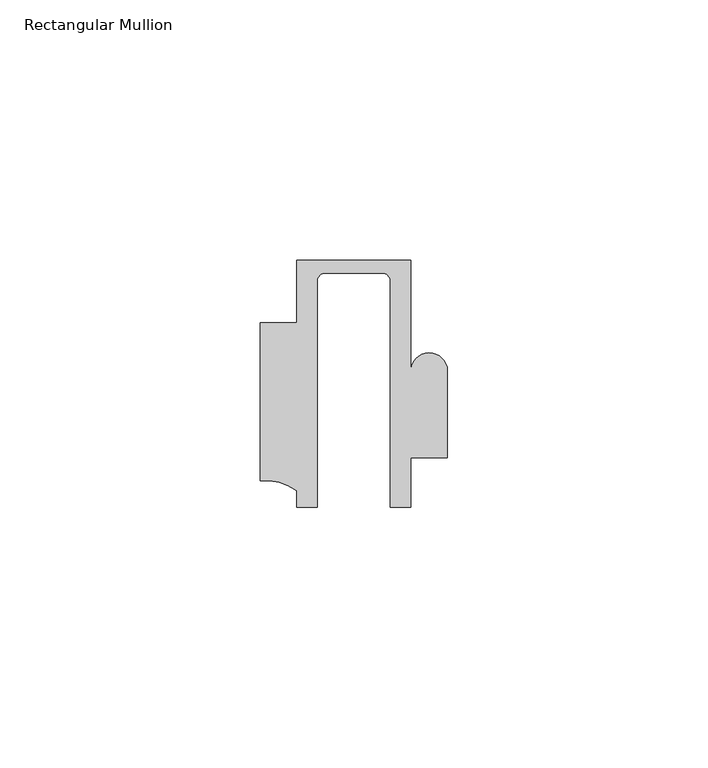
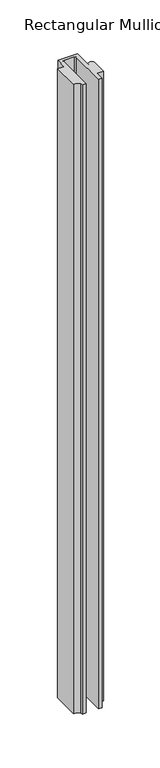
"""IFC4 building model written with IfcOpenShell, lengths in millimetres: member geometry, Rectangular Mullion."""

from ifc_helpers import new_model, si_unit, frame, origin, place, context, project, spatial, polyline, circle_curve, source, transform, mapped, element, save
from ifc_brep_helpers import plane_surface, cylinder_surface, revolved_surface, advanced_brep


def rectangular_mullion_60c2fc7e(model_context):
    return source(origin(), model_context, "Body", "AdvancedBrep", [
        advanced_brep(
        [(-11.0000151, 27.0, 0.0), (-11.0000151, 15.0006281, 0.0), (-17.9999542, 15.0006281, 0.0), (-17.9999542, -15.3797475, 0.0), (-10.9999994, -17.3125325, 0.0), (-10.9999994, -20.5, 0.0), (-6.9999853, -20.5, 0.0), (-6.9999853, 22.9976091, 0.0), (-5.4999873, 24.5, 0.0), (5.4999872, 24.5, 0.0), (6.9999849, 22.9973451, 0.0), (6.9999849, -20.5, 0.0), (11.0000151, -20.5, 0.0), (11.0000151, -10.9797475, 0.0), (17.9999542, -10.9797475, 0.0), (17.9999542, 5.684606, 0.0), (11.001071, 5.5848769, 0.0), (11.001071, 27.0, 0.0), (-11.0000151, 27.0, -742.0500913), (11.001071, 27.0, -742.0500913), (11.001071, 5.5848769, -742.0500913), (17.9999091, 5.6750512, -742.0500913), (17.9999542, -10.9797475, -742.0500913), (11.0000151, -10.9797475, -742.0500913), (11.0000151, -20.5, -742.0500913), (6.9999849, -20.5, -742.0500913), (6.9999849, 22.9973451, -742.0500913), (5.4999872, 24.5, -742.0500913), (-5.4999873, 24.5, -742.0500913), (-6.9999853, 22.9976091, -742.0500913), (-6.9999853, -20.5, -742.0500913), (-10.9999994, -20.5, -742.0500913), (-10.9999994, -17.3125325, -742.0500913), (-17.9999542, -15.3797475, -742.0500913), (-17.9999542, 15.0006281, -742.0500913), (-11.0000151, 15.0006281, -742.0500913)],
        [
            (0, 1),
            (1, 2),
            (2, 3),
            (3, 4, circle_curve(frame((-17.109817, -25.7981812, 0.0), z_axis=(0.0, 0.0, -1.0), x_axis=(0.0, 1.0, 0.0)), 10.4563907)),
            (4, 5),
            (5, 6),
            (6, 7),
            (7, 8, circle_curve(frame((-5.4999873, 23.0, 0.0), z_axis=(0.0, 0.0, -1.0), x_axis=(2.7320010112268853e-08, 0.9999999999999997, 0.0)), 1.5)),
            (8, 9),
            (9, 10, circle_curve(frame((5.4999872, 23.0, 0.0), z_axis=(0.0, 0.0, -1.0), x_axis=(0.9999999999999986, -5.463622857820516e-08, 0.0)), 1.5)),
            (10, 11),
            (11, 12),
            (12, 13),
            (13, 14),
            (14, 15),
            (15, 16, circle_curve(frame((14.4999091, 5.6750512, 0.0), z_axis=(0.0, 0.0, 1.0), x_axis=(-0.9999826028573957, -0.005898642432633649, 0.0)), 3.5)),
            (16, 17),
            (17, 0),
            (18, 19),
            (19, 20),
            (20, 21, circle_curve(frame((14.4999091, 5.6750512, -742.0500913), z_axis=(0.0, 0.0, -1.0), x_axis=(-0.9999826028573957, -0.005898642432633649, 0.0)), 3.5)),
            (21, 22),
            (22, 23),
            (23, 24),
            (24, 25),
            (25, 26),
            (26, 27, circle_curve(frame((5.4999872, 23.0, -742.0500913), z_axis=(0.0, 0.0, 1.0), x_axis=(0.9999999999999986, -5.463622857820516e-08, 0.0)), 1.5)),
            (27, 28),
            (28, 29, circle_curve(frame((-5.4999873, 23.0, -742.0500913), z_axis=(0.0, 0.0, 1.0), x_axis=(2.7320010112268853e-08, 0.9999999999999997, 0.0)), 1.5)),
            (29, 30),
            (30, 31),
            (31, 32),
            (32, 33, circle_curve(frame((-17.109817, -25.7981812, -742.0500913), z_axis=(0.0, 0.0, 1.0), x_axis=(0.0, 1.0, 0.0)), 10.4563907)),
            (33, 34),
            (34, 35),
            (35, 18),
            (0, 18),
            (35, 1),
            (34, 2),
            (33, 3),
            (32, 4),
            (31, 5),
            (30, 6),
            (29, 7),
            (28, 8),
            (27, 9),
            (26, 10),
            (25, 11),
            (24, 12),
            (23, 13),
            (22, 14),
            (21, 15),
            (20, 16),
            (19, 17),
        ],
        [
            plane_surface(frame((0.0, -29.1551636, 0.0), z_axis=(0.0, 0.0, 1.0), x_axis=(-1.0, 0.0, 0.0))),
            plane_surface(frame((0.0, -29.1551636, -742.0500913), z_axis=(0.0, 0.0, -1.0), x_axis=(-1.0, 0.0, 0.0))),
            plane_surface(frame((-11.0000151, 27.0, 0.0), z_axis=(-1.0, 0.0, 0.0), x_axis=(0.0, 0.0, -1.0))),
            plane_surface(frame((-11.0000151, 15.0006281, 0.0), z_axis=(0.0, 1.0, 0.0), x_axis=(0.0, 0.0, -1.0))),
            plane_surface(frame((-17.9999542, 15.0006281, 0.0), z_axis=(-1.0, 0.0, 0.0), x_axis=(0.0, 0.0, -1.0))),
            revolved_surface(polyline([(-17.109817, -15.341790499999998, -742.0500913), (-17.109817, -15.341790499999998, 0.0)]), (-17.109817, -25.7981812, 0.0), (0.0, 0.0, -1.0)),
            plane_surface(frame((-10.9999994, -17.3125325, 0.0), z_axis=(-1.0, 0.0, 0.0), x_axis=(0.0, 0.0, -1.0))),
            plane_surface(frame((-10.9999994, -20.5, 0.0), z_axis=(0.0, -1.0, 0.0), x_axis=(0.0, 0.0, -1.0))),
            plane_surface(frame((-6.9999853, -20.5, 0.0), z_axis=(1.0, 0.0, 0.0), x_axis=(0.0, 0.0, -1.0))),
            revolved_surface(polyline([(-5.499987259019985, 24.5, -742.0500913), (-5.499987259019985, 24.5, 0.0)]), (-5.4999873, 23.0, 0.0), (0.0, 0.0, -1.0)),
            plane_surface(frame((-5.4999873, 24.5, 0.0), z_axis=(0.0, -1.0, 0.0), x_axis=(0.0, 0.0, -1.0))),
            revolved_surface(polyline([(6.999987199999998, 22.999999918045656, -742.0500913), (6.999987199999998, 22.999999918045656, 0.0)]), (5.4999872, 23.0, 0.0), (0.0, 0.0, -1.0)),
            plane_surface(frame((6.9999849, 22.9973451, 0.0), z_axis=(-1.0, 0.0, 0.0), x_axis=(0.0, 0.0, -1.0))),
            plane_surface(frame((6.9999849, -20.5, 0.0), z_axis=(0.0, -1.0, 0.0), x_axis=(0.0, 0.0, -1.0))),
            plane_surface(frame((11.0000151, -20.5, 0.0), z_axis=(1.0, 0.0, 0.0), x_axis=(0.0, 0.0, -1.0))),
            plane_surface(frame((11.0000151, -10.9797475, 0.0), z_axis=(0.0, -1.0, 0.0), x_axis=(0.0, 0.0, -1.0))),
            plane_surface(frame((17.9999542, -10.9797475, 0.0), z_axis=(1.0, 0.0, 0.0), x_axis=(0.0, 0.0, -1.0))),
            cylinder_surface(frame((14.4999091, 5.6750512, 0.0), z_axis=(0.0, 0.0, 1.0), x_axis=(-0.9999826028573957, -0.005898642432633649, 0.0)), 3.5),
            plane_surface(frame((11.001071, 5.5848769, 0.0), z_axis=(1.0, 0.0, 0.0), x_axis=(0.0, 0.0, -1.0))),
            plane_surface(frame((11.001071, 27.0, 0.0), z_axis=(0.0, 1.0, 0.0), x_axis=(0.0, 0.0, -1.0))),
        ],
        [
            (0, [[1, 2, 3, 4, 5, 6, 7, 8, 9, 10, 11, 12, 13, 14, 15, 16, 17, 18]]),
            (1, [[19, 20, 21, 22, 23, 24, 25, 26, 27, 28, 29, 30, 31, 32, 33, 34, 35, 36]]),
            (2, [[-1, 37, -36, 38]]),
            (3, [[-2, -38, -35, 39]]),
            (4, [[-3, -39, -34, 40]]),
            (5, [[-4, -40, -33, 41]]),
            (6, [[-5, -41, -32, 42]]),
            (7, [[-6, -42, -31, 43]]),
            (8, [[-7, -43, -30, 44]]),
            (9, [[-8, -44, -29, 45]]),
            (10, [[-9, -45, -28, 46]]),
            (11, [[-10, -46, -27, 47]]),
            (12, [[-11, -47, -26, 48]]),
            (13, [[-12, -48, -25, 49]]),
            (14, [[-13, -49, -24, 50]]),
            (15, [[-14, -50, -23, 51]]),
            (16, [[-15, -51, -22, 52]]),
            (17, [[-16, -52, -21, 53]]),
            (18, [[-17, -53, -20, 54]]),
            (19, [[-18, -54, -19, -37]]),
        ],
    ),
    ])


if __name__ == "__main__":
    model = new_model("IFC4")
    model_context = context("Model", 3, world=origin())
    ifc_project = project(units=[si_unit("LENGTHUNIT", "METRE", prefix="MILLI")], contexts=[model_context])
    site = spatial("IfcSite", under=ifc_project)
    building = spatial("IfcBuilding", under=site)
    placement = place(None, origin())
    rectangular_mullion_shape = rectangular_mullion_60c2fc7e(model_context)
    element("IfcMember", 1, ObjectType="Rectangular Mullion", at=placement, inside=building, context=model_context, shape_type="MappedRepresentation", body=[
        mapped(rectangular_mullion_shape, transform((0.0, 0.0, 0.0), x_axis=(1.0, 0.0, 0.0), y_axis=(0.0, 1.0, 0.0), z_axis=(0.0, 0.0, 1.0))),
    ])
    save(model, "model.ifc")
